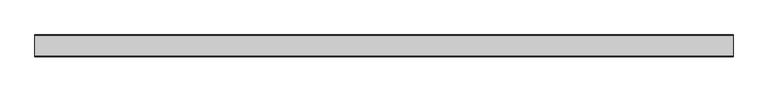
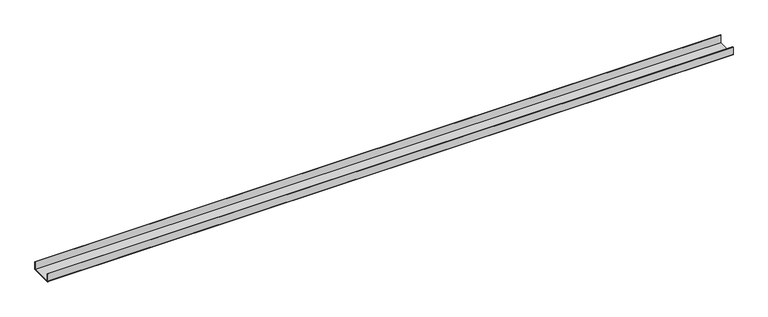
"""IFC4 building model written with IfcOpenShell, lengths in millimetres: proxy geometry."""

from ifc_helpers import new_model, si_unit, point, frame, frame_2d, origin, place, context, project, spatial, polyline, circle_curve, trimmed, segment, composite_curve, outline, extrude, source, transform, mapped, element, save


def generic_models_657c8363(model_context):
    return source(origin(), model_context, "Body", "SweptSolid", [
        extrude(outline(composite_curve([segment(polyline([(-50.5, 2.0), (-50.5, 40.0), (-48.5, 40.0), (-48.5, 2.0), (48.5, 2.0), (48.5, 40.0), (50.5, 40.0), (50.5, 2.0)]), True, "CONTINUOUS"), segment(trimmed(circle_curve(frame_2d((48.5, 2.0)), 2.0), [point((50.5, 2.0))], [point((48.5, 0.0))], False, "CARTESIAN"), True, "CONTINUOUS"), segment(polyline([(48.5, 0.0), (-48.5, 0.0)]), True, "CONTINUOUS"), segment(trimmed(circle_curve(frame_2d((-48.5, 2.0)), 2.0), [point((-48.5, 0.0))], [point((-50.5, 2.0))], False, "CARTESIAN"), True, "CONTINUOUS")], self_intersect=False)), frame((0.0, 0.0, 0.0), z_axis=(1.0, 0.0, 0.0), x_axis=(0.0, 1.0, 0.0)), (0.0, 0.0, 1.0), 3241.8945276),
    ])


if __name__ == "__main__":
    model = new_model("IFC4")
    model_context = context("Model", 3, world=origin())
    ifc_project = project(units=[si_unit("LENGTHUNIT", "METRE", prefix="MILLI")], contexts=[model_context])
    site = spatial("IfcSite", under=ifc_project)
    building = spatial("IfcBuilding", under=site)
    placement = place(None, origin())
    generic_models_shape = generic_models_657c8363(model_context)
    element("IfcBuildingElementProxy", 1, Name="Generic Models", at=placement, inside=building, context=model_context, shape_type="MappedRepresentation", body=[
        mapped(generic_models_shape, transform((0.0, 0.0, 0.0), x_axis=(1.0, 0.0, 0.0), y_axis=(0.0, 1.0, 0.0), z_axis=(0.0, 0.0, 1.0))),
    ])
    save(model, "model.ifc")
